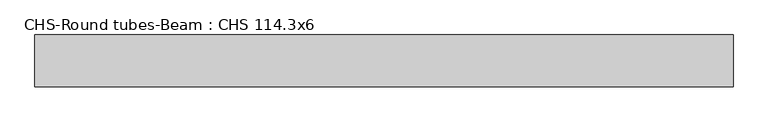
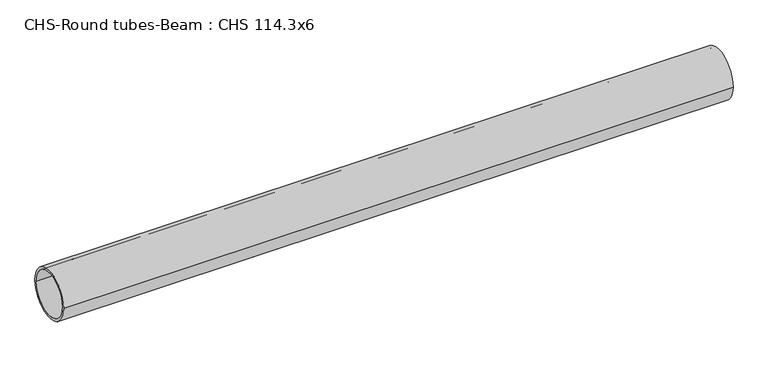
"""IFC4 building model written with IfcOpenShell, lengths in millimetres: beam geometry, CHS-Round tubes-Beam : CHS 114.3x6."""

from ifc_helpers import new_model, si_unit, point, frame, origin, origin_2d, place, context, project, spatial, circle_curve, trimmed, segment, composite_curve, outline, extrude, source, transform, mapped, element, save


def chs_round_tubes_beam_chs_114_3x6_267f0137(model_context):
    return source(origin(), model_context, "Body", "SweptSolid", [
        extrude(outline(composite_curve([segment(trimmed(circle_curve(origin_2d(), 57.15), [point((57.15, 0.0))], [point((-57.15, 0.0))], False, "CARTESIAN"), True, "CONTINUOUS"), segment(trimmed(circle_curve(origin_2d(), 57.15), [point((-57.15, 0.0))], [point((57.15, 0.0))], False, "CARTESIAN"), True, "CONTINUOUS")], self_intersect=False), holes=[composite_curve([segment(trimmed(circle_curve(origin_2d(), 51.15), [point((51.15, 0.0))], [point((-51.15, 0.0))], True, "CARTESIAN"), True, "CONTINUOUS"), segment(trimmed(circle_curve(origin_2d(), 51.15), [point((-51.15, 0.0))], [point((51.15, 0.0))], True, "CARTESIAN"), True, "CONTINUOUS")], self_intersect=False)]), frame((-759.2838388, 0.0, 0.0), z_axis=(1.0, 0.0, 0.0), x_axis=(0.0, 1.0, 0.0)), (0.0, 0.0, 1.0), 1534.7492128),
    ])


if __name__ == "__main__":
    model = new_model("IFC4")
    model_context = context("Model", 3, world=origin())
    ifc_project = project(units=[si_unit("LENGTHUNIT", "METRE", prefix="MILLI")], contexts=[model_context])
    site = spatial("IfcSite", under=ifc_project)
    building = spatial("IfcBuilding", under=site)
    placement = place(None, origin())
    chs_round_tubes_beam_chs_114_3x6_shape = chs_round_tubes_beam_chs_114_3x6_267f0137(model_context)
    element("IfcBeam", 1, ObjectType="CHS-Round tubes-Beam : CHS 114.3x6", at=placement, inside=building, context=model_context, shape_type="MappedRepresentation", body=[
        mapped(chs_round_tubes_beam_chs_114_3x6_shape, transform((0.0, 0.0, 0.0), x_axis=(1.0, 0.0, 0.0), y_axis=(0.0, 1.0, 0.0), z_axis=(0.0, 0.0, 1.0))),
    ])
    save(model, "model.ifc")
